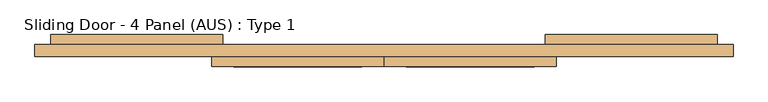
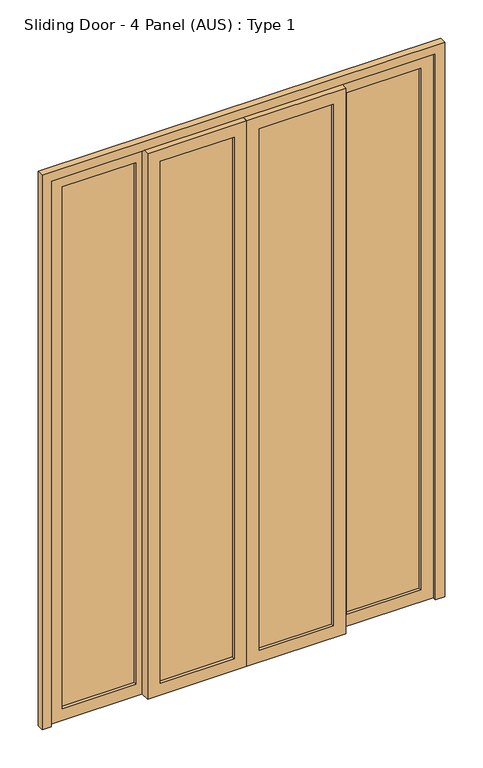
"""IFC4 building model written with IfcOpenShell, lengths in millimetres: door geometry, Sliding Door - 4 Panel (AUS) : Type 1."""

from ifc_helpers import new_model, si_unit, frame, origin, place, context, project, spatial, polyline, outline, extrude, source, transform, mapped, element, save


def sliding_door_4_panel_aus_type_1_8731119d(model_context):
    return source(origin(), model_context, "Body", "SweptSolid", [
        extrude(outline(polyline([(862.7580012, 13.3333333), (543.0080012, 13.3333333), (543.0080012, 26.6666667), (862.7580012, 26.6666667), (862.7580012, 13.3333333)])), frame((0.0, 0.0, 55.0), z_axis=(0.0, 0.0, 1.0), x_axis=(1.0, 0.0, 0.0)), (0.0, 0.0, 1.0), 2390.0),
        extrude(outline(polyline([(0.0, 917.7580012), (2500.0, 917.7580012), (2500.0, 488.0080012), (0.0, 488.0080012), (0.0, 917.7580012)]), holes=[polyline([(55.0, 862.7580012), (55.0, 543.0080012), (2445.0, 543.0080012), (2445.0, 862.7580012), (55.0, 862.7580012)])]), frame((0.0, 0.0, 0.0), z_axis=(0.0, 1.0, 0.0), x_axis=(0.0, 0.0, 1.0)), (0.0, 0.0, 1.0), 40.0),
        extrude(outline(polyline([(460.5080012, -26.6666667), (140.7580012, -26.6666667), (140.7580012, -13.3333333), (460.5080012, -13.3333333), (460.5080012, -26.6666667)])), frame((0.0, 0.0, 55.0), z_axis=(0.0, 0.0, 1.0), x_axis=(1.0, 0.0, 0.0)), (0.0, 0.0, 1.0), 2390.0),
        extrude(outline(polyline([(0.0, 515.5080012), (2500.0, 515.5080012), (2500.0, 85.7580012), (0.0, 85.7580012), (0.0, 515.5080012)]), holes=[polyline([(55.0, 460.5080012), (55.0, 140.7580012), (2445.0, 140.7580012), (2445.0, 460.5080012), (55.0, 460.5080012)])]), frame((0.0, -40.0, 0.0), z_axis=(0.0, 1.0, 0.0), x_axis=(0.0, 0.0, 1.0)), (0.0, 0.0, 1.0), 40.0),
        extrude(outline(polyline([(30.7580012, -26.6666667), (-288.9919988, -26.6666667), (-288.9919988, -13.3333333), (30.7580012, -13.3333333), (30.7580012, -26.6666667)])), frame((0.0, 0.0, 55.0), z_axis=(0.0, 0.0, 1.0), x_axis=(1.0, 0.0, 0.0)), (0.0, 0.0, 1.0), 2390.0),
        extrude(outline(polyline([(0.0, 85.7580012), (2500.0, 85.7580012), (2500.0, -343.9919988), (0.0, -343.9919988), (0.0, 85.7580012)]), holes=[polyline([(55.0, 30.7580012), (55.0, -288.9919988), (2445.0, -288.9919988), (2445.0, 30.7580012), (55.0, 30.7580012)])]), frame((0.0, -40.0, 0.0), z_axis=(0.0, 1.0, 0.0), x_axis=(0.0, 0.0, 1.0)), (0.0, 0.0, 1.0), 40.0),
        extrude(outline(polyline([(-371.4919988, 13.3333333), (-691.2419988, 13.3333333), (-691.2419988, 26.6666667), (-371.4919988, 26.6666667), (-371.4919988, 13.3333333)])), frame((0.0, 0.0, 55.0), z_axis=(0.0, 0.0, 1.0), x_axis=(1.0, 0.0, 0.0)), (0.0, 0.0, 1.0), 2390.0),
        extrude(outline(polyline([(0.0, -316.4919988), (2500.0, -316.4919988), (2500.0, -746.2419988), (0.0, -746.2419988), (0.0, -316.4919988)]), holes=[polyline([(55.0, -371.4919988), (55.0, -691.2419988), (2445.0, -691.2419988), (2445.0, -371.4919988), (55.0, -371.4919988)])]), frame((0.0, 0.0, 0.0), z_axis=(0.0, 1.0, 0.0), x_axis=(0.0, 0.0, 1.0)), (0.0, 0.0, 1.0), 40.0),
        extrude(outline(polyline([(0.0, -746.2419988), (2500.0, -746.2419988), (2500.0, 917.7580012), (0.0, 917.7580012), (0.0, 957.7580012), (2540.0, 957.7580012), (2540.0, -786.2419988), (0.0, -786.2419988), (0.0, -746.2419988)])), frame((0.0, -15.0, 0.0), z_axis=(0.0, 1.0, 0.0), x_axis=(0.0, 0.0, 1.0)), (0.0, 0.0, 1.0), 30.0),
    ])


if __name__ == "__main__":
    model = new_model("IFC4")
    model_context = context("Model", 3, world=origin())
    ifc_project = project(units=[si_unit("LENGTHUNIT", "METRE", prefix="MILLI")], contexts=[model_context])
    site = spatial("IfcSite", under=ifc_project)
    building = spatial("IfcBuilding", under=site)
    placement = place(None, origin())
    sliding_door_4_panel_aus_type_1_shape = sliding_door_4_panel_aus_type_1_8731119d(model_context)
    element("IfcDoor", 1, ObjectType="Sliding Door - 4 Panel (AUS) : Type 1", at=placement, inside=building, context=model_context, shape_type="MappedRepresentation", body=[
        mapped(sliding_door_4_panel_aus_type_1_shape, transform((0.0, 0.0, 0.0), x_axis=(1.0, 0.0, 0.0), y_axis=(0.0, 1.0, 0.0), z_axis=(0.0, 0.0, 1.0))),
    ])
    save(model, "model.ifc")
